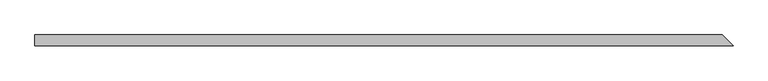
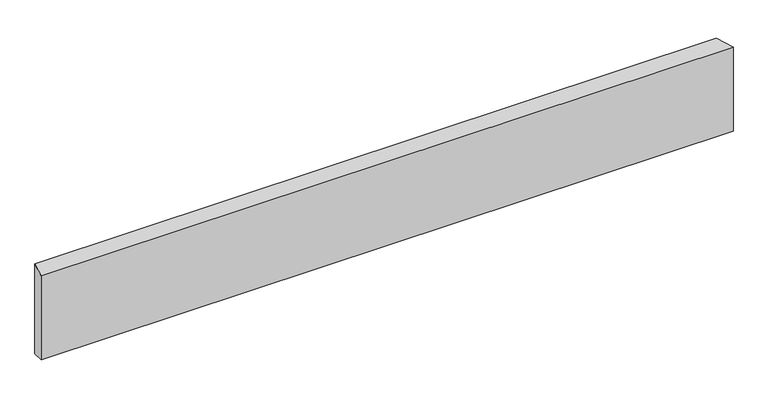
"""IFC4 building model written with IfcOpenShell, lengths in millimetres: beam geometry."""

import ifcopenshell
import ifcopenshell.guid

model = None  # the IFC model being written
_history = None  # IfcOwnerHistory: only IFC2X3 demands one
_inside = {}  # id of a spatial element -> (the spatial element, [elements in it])
_under = {}  # id of a project, library or spatial element -> (it, [spatial elements below it])
_declared = {}  # id of a project -> (the project, [libraries it declares])
_typed = {}  # id of a type object -> (the type object, [elements of that type])
_made_of = {}  # id of a material, layer set ... -> (it, [elements and type objects made of it])


def new_model(schema):
    """Start an empty IFC model of exactly this schema.

    Asked for "IFC4X3", IfcOpenShell would pick the latest addendum, in which some entities
    have other attributes; the version numbers below select the first issue.
    IFC2X3 requires an IfcOwnerHistory on every rooted entity: one is made here for all.
    """
    global model, _history
    if schema == "IFC4X3":
        model = ifcopenshell.file(schema_version=(4, 3, 0, 0))
    else:
        model = ifcopenshell.file(schema=schema)
    _inside.clear()
    _under.clear()
    _declared.clear()
    _typed.clear()
    _made_of.clear()
    _history = None
    if model.schema == "IFC2X3":
        org = make("IfcOrganization", Name="unknown")
        user = make(
            "IfcPersonAndOrganization",
            ThePerson=make("IfcPerson", FamilyName="unknown"),
            TheOrganization=org,
        )
        app = make(
            "IfcApplication",
            ApplicationDeveloper=org,
            Version="unknown",
            ApplicationFullName="unknown",
            ApplicationIdentifier="unknown",
        )
        _history = make(
            "IfcOwnerHistory",
            OwningUser=user,
            OwningApplication=app,
            ChangeAction="ADDED",
            CreationDate=0,
        )
    return model


def make(cls, **values):
    """One entity of the class cls with the attributes given. An attribute that is None is left unset."""
    return model.create_entity(
        cls, **{name: value for name, value in values.items() if value is not None}
    )


def rooted(cls, **values):
    """An entity with a GlobalId (a new one), such as an element, a storey or a relation."""
    return make(cls, GlobalId=ifcopenshell.guid.new(), OwnerHistory=_history, **values)


def si_unit(unit_type, name, prefix=None):
    """IfcSIUnit, for example si_unit("LENGTHUNIT", "METRE", prefix="MILLI")."""
    return make("IfcSIUnit", UnitType=unit_type, Prefix=prefix, Name=name)


def assignment(units):
    """IfcUnitAssignment: the units of a project."""
    return None if units is None else make("IfcUnitAssignment", Units=units)


def point(xyz):
    """IfcCartesianPoint."""
    return None if xyz is None else make("IfcCartesianPoint", Coordinates=xyz)


def direction(xyz):
    """IfcDirection."""
    return None if xyz is None else make("IfcDirection", DirectionRatios=xyz)


def frame(location, z_axis=None, x_axis=None):
    """IfcAxis2Placement3D, a coordinate frame: its origin and axes. An axis left out is left unset."""
    return make(
        "IfcAxis2Placement3D",
        Location=point(location),
        Axis=direction(z_axis),
        RefDirection=direction(x_axis),
    )


def origin():
    """The frame at (0, 0, 0) with its axes left unset."""
    return frame((0.0, 0.0, 0.0))


def place(relative_to, where):
    """IfcLocalPlacement: puts the frame where relative to a parent placement (None: the world)."""
    return make(
        "IfcLocalPlacement", PlacementRelTo=relative_to, RelativePlacement=where
    )


def context(
    kind, dimensions, precision=None, world=None, true_north=None, identifier=None
):
    """IfcGeometricRepresentationContext, for example the 3D "Model" context."""
    return make(
        "IfcGeometricRepresentationContext",
        ContextIdentifier=identifier,
        ContextType=kind,
        CoordinateSpaceDimension=dimensions,
        Precision=precision,
        WorldCoordinateSystem=world,
        TrueNorth=true_north,
    )


def project(units=None, contexts=None):
    """IfcProject with its units and contexts."""
    return rooted(
        "IfcProject",
        Name="project",
        RepresentationContexts=contexts,
        UnitsInContext=assignment(units),
    )


def spatial(cls, under=None, at=None, **own):
    """A site, building, storey or space (cls), placed at a placement, below another one or the project."""
    s = rooted(cls, ObjectPlacement=at, **own)
    if under is not None:
        _under.setdefault(under.id(), (under, []))[1].append(s)
    return s


def faces_of(points, faces, orient=None, outer=None):
    """IfcFace entities. A face is a list of loops; a loop is a list of indices into points, from 0.

    orient and outer hold one flag for each loop. By default every Orientation is true, the
    first loop of a face is its IfcFaceOuterBound and the others are IfcFaceBound.
    """
    made = []
    for i, loops in enumerate(faces):
        bounds = []
        for j, loop in enumerate(loops):
            is_outer = j == 0 if outer is None else outer[i][j]
            bounds.append(
                make(
                    "IfcFaceOuterBound" if is_outer else "IfcFaceBound",
                    Bound=make("IfcPolyLoop", Polygon=[points[k] for k in loop]),
                    Orientation=True if orient is None else orient[i][j],
                )
            )
        made.append(make("IfcFace", Bounds=bounds))
    return made


def faceted_brep(points, faces, orient=None, outer=None, voids=None):
    """IfcFacetedBrep: a solid bounded by flat faces; with voids (closed shells), ...WithVoids."""
    shared = [point(p) for p in points]
    hull = make("IfcClosedShell", CfsFaces=faces_of(shared, faces, orient, outer))
    if voids is None:
        return make("IfcFacetedBrep", Outer=hull)
    return make(
        "IfcFacetedBrepWithVoids",
        Outer=hull,
        Voids=[
            make(cls, CfsFaces=faces_of(shared, fs, o, b)) for cls, fs, o, b in voids
        ],
    )


def shape(context_of_items, identifier, shape_type, items):
    """IfcShapeRepresentation: the items that make up one representation, for example the "Body"."""
    return make(
        "IfcShapeRepresentation",
        ContextOfItems=context_of_items,
        RepresentationIdentifier=identifier,
        RepresentationType=shape_type,
        Items=items,
    )


def source(mapping_origin, context_of_items, identifier, shape_type, items):
    """IfcRepresentationMap: a shape defined once, which mapped items show again and again."""
    return make(
        "IfcRepresentationMap",
        MappingOrigin=mapping_origin,
        MappedRepresentation=shape(context_of_items, identifier, shape_type, items),
    )


def transform(
    local_origin,
    x_axis=None,
    y_axis=None,
    z_axis=None,
    scale=None,
    scale2=None,
    scale3=None,
    uniform=True,
):
    """IfcCartesianTransformationOperator3D, or its non-uniform kind. x_axis, y_axis, z_axis: its Axis1, 2, 3."""
    if uniform:
        return make(
            "IfcCartesianTransformationOperator3D",
            Axis1=direction(x_axis),
            Axis2=direction(y_axis),
            LocalOrigin=point(local_origin),
            Scale=scale,
            Axis3=direction(z_axis),
        )
    return make(
        "IfcCartesianTransformationOperator3DnonUniform",
        Axis1=direction(x_axis),
        Axis2=direction(y_axis),
        LocalOrigin=point(local_origin),
        Scale=scale,
        Axis3=direction(z_axis),
        Scale2=scale2,
        Scale3=scale3,
    )


def mapped(mapping_source, mapping_target):
    """IfcMappedItem: shows the shape of a source again, moved by a transform."""
    return make(
        "IfcMappedItem", MappingSource=mapping_source, MappingTarget=mapping_target
    )


def made_of(thing, what):
    """Note that an element or type object is made of a material, layer set ...; save() writes the relation."""
    if what is not None:
        _made_of.setdefault(what.id(), (what, []))[1].append(thing)
    return thing


def element(
    cls,
    number,
    at=None,
    inside=None,
    cuts=None,
    type_object=None,
    material=None,
    context=None,
    identifier="Body",
    shape_type=None,
    held_by="IfcProductDefinitionShape",
    body=None,
    shapes=None,
    **own,
):
    """One element of the class cls, such as IfcWall. Its Tag is "e" and its number.

    at: its placement. inside: the storey or other place that contains it. cuts: it is an
    opening in that element (IfcRelVoidsElement). A single representation is given by context,
    identifier, shape_type and body (its items); several are given by shapes. held_by: the class
    of the entity that holds the representations. save() writes the other relations.
    """
    e = rooted(cls, Tag="e%d" % number, ObjectPlacement=at, **own)
    if body is not None:
        shapes = [shape(context, identifier, shape_type, body)]
    if shapes is not None:
        e.Representation = make(held_by, Representations=shapes)
    if inside is not None:
        _inside.setdefault(inside.id(), (inside, []))[1].append(e)
    if cuts is not None:
        rooted(
            "IfcRelVoidsElement", RelatingBuildingElement=cuts, RelatedOpeningElement=e
        )
    if type_object is not None:
        _typed.setdefault(type_object.id(), (type_object, []))[1].append(e)
    return made_of(e, material)


def aggregate(whole, parts):
    """IfcRelAggregates: a whole, such as a stair, and the parts it consists of."""
    return rooted("IfcRelAggregates", RelatingObject=whole, RelatedObjects=parts)


def save(model, path):
    """Write the relations noted so far, then the file.

    IfcRelAggregates (storeys below a building ...), IfcRelContainedInSpatialStructure (elements
    in a storey), IfcRelDefinesByType, IfcRelAssociatesMaterial and IfcRelDeclares: one each for
    every whole, place, type object, material and project.
    """
    for whole, parts in _under.values():
        aggregate(whole, parts)
    for where, things in _inside.values():
        rooted(
            "IfcRelContainedInSpatialStructure",
            RelatedElements=things,
            RelatingStructure=where,
        )
    for kind, things in _typed.values():
        rooted("IfcRelDefinesByType", RelatedObjects=things, RelatingType=kind)
    for what, things in _made_of.values():
        rooted("IfcRelAssociatesMaterial", RelatedObjects=things, RelatingMaterial=what)
    for by, libraries in _declared.values():
        rooted("IfcRelDeclares", RelatingContext=by, RelatedDefinitions=libraries)
    model.write(path)


def beam_b6a2d5fa(model_context):
    return source(origin(), model_context, "Body", "Brep", [
        faceted_brep([(616.1171158, -9.525, 84.0878906), (-606.5921158, -9.525, 84.0878906), (-606.5921158, -9.525, -72.9753906), (616.1171158, -9.525, -72.9753906), (597.0671158, 9.525, 95.2003906), (597.0671158, 9.525, -72.9753906), (-606.5921158, 9.525, -72.9753906), (-606.5921158, 9.525, 95.2003906)], [[[0, 1, 2, 3]], [[4, 5, 6, 7]], [[5, 4, 0, 3]], [[6, 5, 3, 2]], [[7, 6, 2, 1]], [[4, 7, 1, 0]]]),
    ])


if __name__ == "__main__":
    model = new_model("IFC4")
    model_context = context("Model", 3, world=origin())
    ifc_project = project(units=[si_unit("LENGTHUNIT", "METRE", prefix="MILLI")], contexts=[model_context])
    site = spatial("IfcSite", under=ifc_project)
    building = spatial("IfcBuilding", under=site)
    placement = place(None, origin())
    beam_shape = beam_b6a2d5fa(model_context)
    element("IfcBeam", 1, at=placement, inside=building, context=model_context, shape_type="MappedRepresentation", body=[
        mapped(beam_shape, transform((0.0, 0.0, 0.0), x_axis=(1.0, 0.0, 0.0), y_axis=(0.0, 1.0, 0.0), z_axis=(0.0, 0.0, 1.0))),
    ])
    save(model, "model.ifc")
